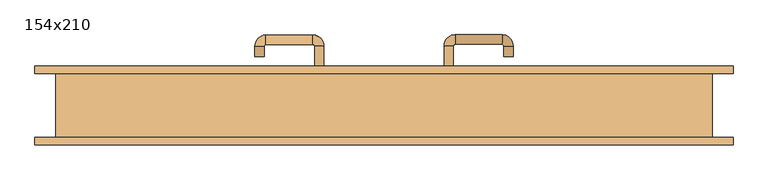
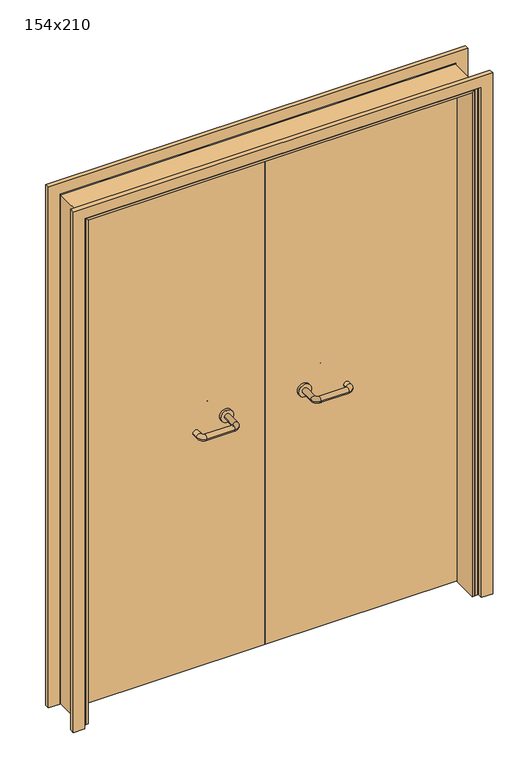
"""IFC4 building model written with IfcOpenShell, lengths in millimetres: door geometry, 154x210."""

from ifc_helpers import new_model, si_unit, point, frame, frame_2d, origin, place, context, project, spatial, polyline, circle_curve, ellipse_curve, trimmed, segment, composite_curve, outline, extrude, faceted_brep, source, transform, mapped, element, save
from ifc_brep_helpers import plane_surface, cylinder_surface, revolved_surface, advanced_brep


def door_154x210_acc54a42(model_context):
    return source(origin(), model_context, "Body", "SolidModel", [
        faceted_brep([(-750.0, 28.0, 0.0), (-750.0, -74.0, 0.0), (-760.0, -74.0, 0.0), (-760.0, 28.0, 0.0), (-750.0, 28.0, 2080.0), (-750.0, -74.0, 2080.0), (-760.0, -74.0, 2090.0), (-760.0, 28.0, 2090.0), (750.0, 28.0, 0.0), (760.0, 28.0, 0.0), (760.0, -74.0, 0.0), (750.0, -74.0, 0.0), (750.0, 28.0, 2080.0), (760.0, 28.0, 2090.0), (760.0, -74.0, 2090.0), (750.0, -74.0, 2080.0)], [[[0, 1, 2, 3]], [[1, 0, 4, 5]], [[2, 1, 5, 6]], [[3, 2, 6, 7]], [[0, 3, 7, 4]], [[8, 9, 10, 11]], [[12, 13, 9, 8]], [[13, 14, 10, 9]], [[14, 15, 11, 10]], [[15, 12, 8, 11]], [[5, 4, 12, 15]], [[6, 5, 15, 14]], [[7, 6, 14, 13]], [[4, 7, 13, 12]]]),
        extrude(outline(polyline([(2149.0, 819.0), (2149.0, -819.0), (0.0, -819.0), (0.0, -775.0), (2105.0, -775.0), (2105.0, 775.0), (0.0, 775.0), (0.0, 819.0), (2149.0, 819.0)])), frame((0.0, 75.0, 0.0), z_axis=(0.0, 1.0, 0.0), x_axis=(0.0, 0.0, 1.0)), (0.0, 0.0, 1.0), 18.0),
        extrude(outline(polyline([(2149.0, -819.0), (0.0, -819.0), (0.0, -775.0), (2105.0, -775.0), (2105.0, 775.0), (0.0, 775.0), (0.0, 819.0), (2149.0, 819.0), (2149.0, -819.0)])), frame((0.0, -93.0, 0.0), z_axis=(0.0, 1.0, 0.0), x_axis=(0.0, 0.0, 1.0)), (0.0, 0.0, 1.0), 18.0),
        extrude(outline(polyline([(2100.0, -770.0), (0.0, -770.0), (0.0, -760.0), (2090.0, -760.0), (2090.0, 760.0), (0.0, 760.0), (0.0, 770.0), (2100.0, 770.0), (2100.0, -770.0)])), frame((0.0, -74.0, 0.0), z_axis=(0.0, 1.0, 0.0), x_axis=(0.0, 0.0, 1.0)), (0.0, 0.0, 1.0), 149.0),
        advanced_brep(
        [(140.99898, 21.0, 1003.0), (162.99898, 21.0, 1003.0), (140.99898, -34.3525369, 1003.0), (162.99898, -34.3525369, 1003.0), (166.99898, -38.3525369, 1003.0), (166.99898, -60.3525369, 1003.0), (276.99898, -60.3525369, 1003.0), (276.99898, -38.3525369, 1003.0), (280.99898, -34.3525369, 1003.0), (302.99898, -34.3525369, 1003.0), (302.99898, -17.0, 1003.0), (280.99898, -17.0, 1003.0)],
        [
            (0, 1, circle_curve(frame((151.99898, 21.0, 1003.0), z_axis=(0.0, 1.0, 0.0), x_axis=(1.0, 0.0, 0.0)), 11.0)),
            (1, 0, circle_curve(frame((151.99898, 21.0, 1003.0), z_axis=(0.0, 1.0, 0.0), x_axis=(1.0, 0.0, 0.0)), 11.0)),
            (0, 2),
            (2, 3, circle_curve(frame((151.99898, -34.3525369, 1003.0), z_axis=(0.0, 1.0, 0.0), x_axis=(1.0, 0.0, 0.0)), 11.0)),
            (3, 1),
            (3, 2, circle_curve(frame((151.99898, -34.3525369, 1003.0), z_axis=(0.0, 1.0, 0.0), x_axis=(1.0, 0.0, 0.0)), 11.0)),
            (4, 3, circle_curve(frame((166.99898, -34.3525369, 1003.0), z_axis=(0.0, 0.0, -1.0), x_axis=(-1.0, 0.0, 0.0)), 4.0)),
            (2, 5, circle_curve(frame((166.99898, -34.3525369, 1003.0), z_axis=(0.0, 0.0, 1.0), x_axis=(-1.0, 0.0, 0.0)), 26.0)),
            (5, 4, circle_curve(frame((166.99898, -49.3525369, 1003.0), z_axis=(-1.0, 0.0, 0.0), x_axis=(0.0, 1.0, 0.0)), 11.0)),
            (4, 5, circle_curve(frame((166.99898, -49.3525369, 1003.0), z_axis=(-1.0, 0.0, 0.0), x_axis=(0.0, 1.0, 0.0)), 11.0)),
            (5, 6),
            (6, 7, circle_curve(frame((276.99898, -49.3525369, 1003.0), z_axis=(-1.0, 0.0, 0.0), x_axis=(0.0, 1.0, 0.0)), 11.0)),
            (7, 4),
            (7, 6, circle_curve(frame((276.99898, -49.3525369, 1003.0), z_axis=(-1.0, 0.0, 0.0), x_axis=(0.0, 1.0, 0.0)), 11.0)),
            (8, 7, circle_curve(frame((276.99898, -34.3525369, 1003.0), z_axis=(0.0, 0.0, -1.0), x_axis=(0.0, -1.0, 0.0)), 4.0)),
            (6, 9, circle_curve(frame((276.99898, -34.3525369, 1003.0), z_axis=(0.0, 0.0, 1.0), x_axis=(0.0, -1.0, 0.0)), 26.0)),
            (9, 8, circle_curve(frame((291.99898, -34.3525369, 1003.0), z_axis=(0.0, -1.0, 0.0), x_axis=(-1.0, 0.0, 0.0)), 11.0)),
            (8, 9, circle_curve(frame((291.99898, -34.3525369, 1003.0), z_axis=(0.0, -1.0, 0.0), x_axis=(-1.0, 0.0, 0.0)), 11.0)),
            (10, 11, circle_curve(frame((291.99898, -17.0, 1003.0), z_axis=(0.0, 1.0, 0.0), x_axis=(-1.0, 0.0, 0.0)), 11.0)),
            (11, 10, circle_curve(frame((291.99898, -17.0, 1003.0), z_axis=(0.0, 1.0, 0.0), x_axis=(-1.0, 0.0, 0.0)), 11.0)),
            (9, 10),
            (11, 8),
        ],
        [
            plane_surface(frame((140.99898, 21.0, 1003.0), z_axis=(0.0, 1.0, 0.0), x_axis=(0.0, 0.0, -1.0))),
            cylinder_surface(frame((151.99898, 21.0, 1003.0), z_axis=(0.0, 1.0, 0.0), x_axis=(1.0, 0.0, 0.0)), 11.0),
            revolved_surface(trimmed(ellipse_curve(frame((151.99898, -34.3525369, 1003.0), z_axis=(0.0, 1.0, 0.0), x_axis=(1.0, 0.0, 0.0)), 11.0, 11.0), [point((140.99898, -34.3525369, 1003.0))], [point((162.99898, -34.3525369, 1003.0))], True, "CARTESIAN"), (166.99898, -34.3525369, 1003.0), (0.0, 0.0, 1.0)),
            revolved_surface(trimmed(ellipse_curve(frame((151.99898, -34.3525369, 1003.0), z_axis=(0.0, 1.0, 0.0), x_axis=(1.0, 0.0, 0.0)), 11.0, 11.0), [point((162.99898, -34.3525369, 1003.0))], [point((140.99898, -34.3525369, 1003.0))], True, "CARTESIAN"), (166.99898, -34.3525369, 1003.0), (0.0, 0.0, 1.0)),
            cylinder_surface(frame((166.99898, -49.3525369, 1003.0), z_axis=(-1.0, 0.0, 0.0), x_axis=(0.0, 1.0, 0.0)), 11.0),
            revolved_surface(trimmed(ellipse_curve(frame((276.99898, -49.3525369, 1003.0), z_axis=(-1.0, 0.0, 0.0), x_axis=(0.0, 1.0, 0.0)), 11.0, 11.0), [point((276.99898, -60.3525369, 1003.0))], [point((276.99898, -38.3525369, 1003.0))], True, "CARTESIAN"), (276.99898, -34.3525369, 1003.0), (0.0, 0.0, 1.0)),
            revolved_surface(trimmed(ellipse_curve(frame((276.99898, -49.3525369, 1003.0), z_axis=(-1.0, 0.0, 0.0), x_axis=(0.0, 1.0, 0.0)), 11.0, 11.0), [point((276.99898, -38.3525369, 1003.0))], [point((276.99898, -60.3525369, 1003.0))], True, "CARTESIAN"), (276.99898, -34.3525369, 1003.0), (0.0, 0.0, 1.0)),
            plane_surface(frame((280.99898, -17.0, 1003.0), z_axis=(0.0, 1.0, 0.0), x_axis=(0.0, 0.0, 1.0))),
            cylinder_surface(frame((291.99898, -34.3525369, 1003.0), z_axis=(0.0, -1.0, 0.0), x_axis=(-1.0, 0.0, 0.0)), 11.0),
        ],
        [
            (0, [[1, 2]]),
            (1, [[-1, 3, 4, 5]]),
            (1, [[-2, -5, 6, -3]]),
            (2, [[7, -4, 8, 9]]),
            (3, [[-8, -6, -7, 10]]),
            (4, [[-9, 11, 12, 13]]),
            (4, [[-10, -13, 14, -11]]),
            (5, [[15, -12, 16, 17]]),
            (6, [[-16, -14, -15, 18]]),
            (7, [[19, 20]]),
            (8, [[-17, 21, -20, 22]]),
            (8, [[-18, -22, -19, -21]]),
        ],
    ),
        extrude(outline(composite_curve([segment(trimmed(circle_curve(frame_2d((1003.0, 151.99898)), 25.0), [point((1003.0, 126.99898))], [point((1003.0, 176.99898))], False, "CARTESIAN"), True, "CONTINUOUS"), segment(trimmed(circle_curve(frame_2d((1003.0, 151.99898)), 25.0), [point((1003.0, 176.99898))], [point((1003.0, 126.99898))], False, "CARTESIAN"), True, "CONTINUOUS")], self_intersect=False)), frame((0.0, 21.0, 0.0), z_axis=(0.0, 1.0, 0.0), x_axis=(0.0, 0.0, 1.0)), (0.0, 0.0, 1.0), 10.0),
        advanced_brep(
        [(162.99898, 85.0, 1003.0), (140.99898, 85.0, 1003.0), (162.99898, 140.0, 1003.0), (140.99898, 140.0, 1003.0), (166.99898, 166.0, 1003.0), (166.99898, 144.0, 1003.0), (276.99898, 144.0, 1003.0), (276.99898, 166.0, 1003.0), (302.99898, 140.0, 1003.0), (280.99898, 140.0, 1003.0), (280.99898, 115.0, 1003.0), (302.99898, 115.0, 1003.0)],
        [
            (0, 1, circle_curve(frame((151.99898, 85.0, 1003.0), z_axis=(0.0, -1.0, 0.0), x_axis=(-1.0, 0.0, 0.0)), 11.0)),
            (1, 0, circle_curve(frame((151.99898, 85.0, 1003.0), z_axis=(0.0, -1.0, 0.0), x_axis=(-1.0, 0.0, 0.0)), 11.0)),
            (0, 2),
            (2, 3, circle_curve(frame((151.99898, 140.0, 1003.0), z_axis=(0.0, -1.0, 0.0), x_axis=(-1.0, 0.0, 0.0)), 11.0)),
            (3, 1),
            (3, 2, circle_curve(frame((151.99898, 140.0, 1003.0), z_axis=(0.0, -1.0, 0.0), x_axis=(-1.0, 0.0, 0.0)), 11.0)),
            (4, 3, circle_curve(frame((166.99898, 140.0, 1003.0), z_axis=(0.0, 0.0, 1.0), x_axis=(-1.0, 0.0, 0.0)), 26.0)),
            (2, 5, circle_curve(frame((166.99898, 140.0, 1003.0), z_axis=(0.0, 0.0, -1.0), x_axis=(-1.0, 0.0, 0.0)), 4.0)),
            (5, 4, circle_curve(frame((166.99898, 155.0, 1003.0), z_axis=(-1.0, 0.0, 0.0), x_axis=(0.0, 1.0, 0.0)), 11.0)),
            (4, 5, circle_curve(frame((166.99898, 155.0, 1003.0), z_axis=(-1.0, 0.0, 0.0), x_axis=(0.0, 1.0, 0.0)), 11.0)),
            (5, 6),
            (6, 7, circle_curve(frame((276.99898, 155.0, 1003.0), z_axis=(-1.0, 0.0, 0.0), x_axis=(0.0, 1.0, 0.0)), 11.0)),
            (7, 4),
            (7, 6, circle_curve(frame((276.99898, 155.0, 1003.0), z_axis=(-1.0, 0.0, 0.0), x_axis=(0.0, 1.0, 0.0)), 11.0)),
            (8, 7, circle_curve(frame((276.99898, 140.0, 1003.0), z_axis=(0.0, 0.0, 1.0), x_axis=(0.0, 1.0, 0.0)), 26.0)),
            (6, 9, circle_curve(frame((276.99898, 140.0, 1003.0), z_axis=(0.0, 0.0, -1.0), x_axis=(0.0, 1.0, 0.0)), 4.0)),
            (9, 8, circle_curve(frame((291.99898, 140.0, 1003.0), z_axis=(0.0, 1.0, 0.0), x_axis=(1.0, 0.0, 0.0)), 11.0)),
            (8, 9, circle_curve(frame((291.99898, 140.0, 1003.0), z_axis=(0.0, 1.0, 0.0), x_axis=(1.0, 0.0, 0.0)), 11.0)),
            (10, 11, circle_curve(frame((291.99898, 115.0, 1003.0), z_axis=(0.0, -1.0, 0.0), x_axis=(1.0, 0.0, 0.0)), 11.0)),
            (11, 10, circle_curve(frame((291.99898, 115.0, 1003.0), z_axis=(0.0, -1.0, 0.0), x_axis=(1.0, 0.0, 0.0)), 11.0)),
            (9, 10),
            (11, 8),
        ],
        [
            plane_surface(frame((140.99898, 85.0, 1003.0), z_axis=(0.0, -1.0, 0.0), x_axis=(0.0, 0.0, 1.0))),
            cylinder_surface(frame((151.99898, 85.0, 1003.0), z_axis=(0.0, -1.0, 0.0), x_axis=(-1.0, 0.0, 0.0)), 11.0),
            revolved_surface(trimmed(ellipse_curve(frame((151.99898, 140.0, 1003.0), z_axis=(0.0, -1.0, 0.0), x_axis=(-1.0, 0.0, 0.0)), 11.0, 11.0), [point((162.99898, 140.0, 1003.0))], [point((140.99898, 140.0, 1003.0))], True, "CARTESIAN"), (166.99898, 140.0, 1003.0), (0.0, 0.0, -1.0)),
            revolved_surface(trimmed(ellipse_curve(frame((151.99898, 140.0, 1003.0), z_axis=(0.0, -1.0, 0.0), x_axis=(-1.0, 0.0, 0.0)), 11.0, 11.0), [point((140.99898, 140.0, 1003.0))], [point((162.99898, 140.0, 1003.0))], True, "CARTESIAN"), (166.99898, 140.0, 1003.0), (0.0, 0.0, -1.0)),
            cylinder_surface(frame((166.99898, 155.0, 1003.0), z_axis=(-1.0, 0.0, 0.0), x_axis=(0.0, 1.0, 0.0)), 11.0),
            revolved_surface(trimmed(ellipse_curve(frame((276.99898, 155.0, 1003.0), z_axis=(-1.0, 0.0, 0.0), x_axis=(0.0, 1.0, 0.0)), 11.0, 11.0), [point((276.99898, 144.0, 1003.0))], [point((276.99898, 166.0, 1003.0))], True, "CARTESIAN"), (276.99898, 140.0, 1003.0), (0.0, 0.0, -1.0)),
            revolved_surface(trimmed(ellipse_curve(frame((276.99898, 155.0, 1003.0), z_axis=(-1.0, 0.0, 0.0), x_axis=(0.0, 1.0, 0.0)), 11.0, 11.0), [point((276.99898, 166.0, 1003.0))], [point((276.99898, 144.0, 1003.0))], True, "CARTESIAN"), (276.99898, 140.0, 1003.0), (0.0, 0.0, -1.0)),
            plane_surface(frame((280.99898, 115.0, 1003.0), z_axis=(0.0, -1.0, 0.0), x_axis=(0.0, 0.0, -1.0))),
            cylinder_surface(frame((291.99898, 140.0, 1003.0), z_axis=(0.0, 1.0, 0.0), x_axis=(1.0, 0.0, 0.0)), 11.0),
        ],
        [
            (0, [[1, 2]]),
            (1, [[-1, 3, 4, 5]]),
            (1, [[-2, -5, 6, -3]]),
            (2, [[7, -4, 8, 9]]),
            (3, [[-8, -6, -7, 10]]),
            (4, [[-9, 11, 12, 13]]),
            (4, [[-10, -13, 14, -11]]),
            (5, [[15, -12, 16, 17]]),
            (6, [[-16, -14, -15, 18]]),
            (7, [[19, 20]]),
            (8, [[-17, 21, -20, 22]]),
            (8, [[-18, -22, -19, -21]]),
        ],
    ),
        extrude(outline(composite_curve([segment(trimmed(circle_curve(frame_2d((1003.0, 151.99898)), 25.0), [point((1003.0, 176.99898))], [point((1003.0, 126.99898))], False, "CARTESIAN"), True, "CONTINUOUS"), segment(trimmed(circle_curve(frame_2d((1003.0, 151.99898)), 25.0), [point((1003.0, 126.99898))], [point((1003.0, 176.99898))], False, "CARTESIAN"), True, "CONTINUOUS")], self_intersect=False)), frame((0.0, 75.0, 0.0), z_axis=(0.0, 1.0, 0.0), x_axis=(0.0, 0.0, 1.0)), (0.0, 0.0, 1.0), 10.0),
        advanced_brep(
        [(-162.99898, 20.6886121, 1003.0), (-140.99898, 20.6886121, 1003.0), (-162.99898, -34.7220447, 1003.0), (-140.99898, -34.7220447, 1003.0), (-166.99898, -60.7220447, 1003.0), (-166.99898, -38.7220447, 1003.0), (-276.99898, -38.7220447, 1003.0), (-276.99898, -60.7220447, 1003.0), (-302.99898, -34.7220447, 1003.0), (-280.99898, -34.7220447, 1003.0), (-280.99898, -9.7220447, 1003.0), (-302.99898, -9.7220447, 1003.0)],
        [
            (0, 1, circle_curve(frame((-151.99898, 20.6886121, 1003.0), z_axis=(0.0, 1.0, 0.0), x_axis=(1.0, 0.0, 0.0)), 11.0)),
            (1, 0, circle_curve(frame((-151.99898, 20.6886121, 1003.0), z_axis=(0.0, 1.0, 0.0), x_axis=(1.0, 0.0, 0.0)), 11.0)),
            (0, 2),
            (2, 3, circle_curve(frame((-151.99898, -34.7220447, 1003.0), z_axis=(0.0, 1.0, 0.0), x_axis=(1.0, 0.0, 0.0)), 11.0)),
            (3, 1),
            (3, 2, circle_curve(frame((-151.99898, -34.7220447, 1003.0), z_axis=(0.0, 1.0, 0.0), x_axis=(1.0, 0.0, 0.0)), 11.0)),
            (4, 3, circle_curve(frame((-166.99898, -34.7220447, 1003.0), z_axis=(0.0, 0.0, 1.0), x_axis=(1.0, 0.0, 0.0)), 26.0)),
            (2, 5, circle_curve(frame((-166.99898, -34.7220447, 1003.0), z_axis=(0.0, 0.0, -1.0), x_axis=(1.0, 0.0, 0.0)), 4.0)),
            (5, 4, circle_curve(frame((-166.99898, -49.7220447, 1003.0), z_axis=(1.0, 0.0, 0.0), x_axis=(0.0, -1.0, 0.0)), 11.0)),
            (4, 5, circle_curve(frame((-166.99898, -49.7220447, 1003.0), z_axis=(1.0, 0.0, 0.0), x_axis=(0.0, -1.0, 0.0)), 11.0)),
            (5, 6),
            (6, 7, circle_curve(frame((-276.99898, -49.7220447, 1003.0), z_axis=(1.0, 0.0, 0.0), x_axis=(0.0, -1.0, 0.0)), 11.0)),
            (7, 4),
            (7, 6, circle_curve(frame((-276.99898, -49.7220447, 1003.0), z_axis=(1.0, 0.0, 0.0), x_axis=(0.0, -1.0, 0.0)), 11.0)),
            (8, 7, circle_curve(frame((-276.99898, -34.7220447, 1003.0), z_axis=(0.0, 0.0, 1.0), x_axis=(0.0, -1.0, 0.0)), 26.0)),
            (6, 9, circle_curve(frame((-276.99898, -34.7220447, 1003.0), z_axis=(0.0, 0.0, -1.0), x_axis=(0.0, -1.0, 0.0)), 4.0)),
            (9, 8, circle_curve(frame((-291.99898, -34.7220447, 1003.0), z_axis=(0.0, -1.0, 0.0), x_axis=(-1.0, 0.0, 0.0)), 11.0)),
            (8, 9, circle_curve(frame((-291.99898, -34.7220447, 1003.0), z_axis=(0.0, -1.0, 0.0), x_axis=(-1.0, 0.0, 0.0)), 11.0)),
            (10, 11, circle_curve(frame((-291.99898, -9.7220447, 1003.0), z_axis=(0.0, 1.0, 0.0), x_axis=(-1.0, 0.0, 0.0)), 11.0)),
            (11, 10, circle_curve(frame((-291.99898, -9.7220447, 1003.0), z_axis=(0.0, 1.0, 0.0), x_axis=(-1.0, 0.0, 0.0)), 11.0)),
            (9, 10),
            (11, 8),
        ],
        [
            plane_surface(frame((-162.99898, 20.6886121, 1003.0), z_axis=(0.0, 1.0, 0.0), x_axis=(0.0, 0.0, -1.0))),
            cylinder_surface(frame((-151.99898, 20.6886121, 1003.0), z_axis=(0.0, 1.0, 0.0), x_axis=(1.0, 0.0, 0.0)), 11.0),
            revolved_surface(trimmed(ellipse_curve(frame((-151.99898, -34.7220447, 1003.0), z_axis=(0.0, 1.0, 0.0), x_axis=(1.0, 0.0, 0.0)), 11.0, 11.0), [point((-162.99898, -34.7220447, 1003.0))], [point((-140.99898, -34.7220447, 1003.0))], True, "CARTESIAN"), (-166.99898, -34.7220447, 1003.0), (0.0, 0.0, -1.0)),
            revolved_surface(trimmed(ellipse_curve(frame((-151.99898, -34.7220447, 1003.0), z_axis=(0.0, 1.0, 0.0), x_axis=(1.0, 0.0, 0.0)), 11.0, 11.0), [point((-140.99898, -34.7220447, 1003.0))], [point((-162.99898, -34.7220447, 1003.0))], True, "CARTESIAN"), (-166.99898, -34.7220447, 1003.0), (0.0, 0.0, -1.0)),
            cylinder_surface(frame((-166.99898, -49.7220447, 1003.0), z_axis=(1.0, 0.0, 0.0), x_axis=(0.0, -1.0, 0.0)), 11.0),
            revolved_surface(trimmed(ellipse_curve(frame((-276.99898, -49.7220447, 1003.0), z_axis=(1.0, 0.0, 0.0), x_axis=(0.0, -1.0, 0.0)), 11.0, 11.0), [point((-276.99898, -38.7220447, 1003.0))], [point((-276.99898, -60.7220447, 1003.0))], True, "CARTESIAN"), (-276.99898, -34.7220447, 1003.0), (0.0, 0.0, -1.0)),
            revolved_surface(trimmed(ellipse_curve(frame((-276.99898, -49.7220447, 1003.0), z_axis=(1.0, 0.0, 0.0), x_axis=(0.0, -1.0, 0.0)), 11.0, 11.0), [point((-276.99898, -60.7220447, 1003.0))], [point((-276.99898, -38.7220447, 1003.0))], True, "CARTESIAN"), (-276.99898, -34.7220447, 1003.0), (0.0, 0.0, -1.0)),
            plane_surface(frame((-302.99898, -9.7220447, 1003.0), z_axis=(0.0, 1.0, 0.0), x_axis=(0.0, 0.0, 1.0))),
            cylinder_surface(frame((-291.99898, -34.7220447, 1003.0), z_axis=(0.0, -1.0, 0.0), x_axis=(-1.0, 0.0, 0.0)), 11.0),
        ],
        [
            (0, [[1, 2]]),
            (1, [[-1, 3, 4, 5]]),
            (1, [[-2, -5, 6, -3]]),
            (2, [[7, -4, 8, 9]]),
            (3, [[-8, -6, -7, 10]]),
            (4, [[-9, 11, 12, 13]]),
            (4, [[-10, -13, 14, -11]]),
            (5, [[15, -12, 16, 17]]),
            (6, [[-16, -14, -15, 18]]),
            (7, [[19, 20]]),
            (8, [[-17, 21, -20, 22]]),
            (8, [[-18, -22, -19, -21]]),
        ],
    ),
        extrude(outline(composite_curve([segment(trimmed(circle_curve(frame_2d((1003.0, -151.99898)), 25.0), [point((1003.0, -176.99898))], [point((1003.0, -126.99898))], False, "CARTESIAN"), True, "CONTINUOUS"), segment(trimmed(circle_curve(frame_2d((1003.0, -151.99898)), 25.0), [point((1003.0, -126.99898))], [point((1003.0, -176.99898))], False, "CARTESIAN"), True, "CONTINUOUS")], self_intersect=False)), frame((0.0, 20.6886121, 0.0), z_axis=(0.0, 1.0, 0.0), x_axis=(0.0, 0.0, 1.0)), (0.0, 0.0, 1.0), 10.3113879),
        advanced_brep(
        [(-140.99898, 84.5143417, 1003.0), (-162.99898, 84.5143417, 1003.0), (-140.99898, 139.6104656, 1003.0), (-162.99898, 139.6104656, 1003.0), (-166.99898, 143.6104656, 1003.0), (-166.99898, 165.6104656, 1003.0), (-276.99898, 165.6104656, 1003.0), (-276.99898, 143.6104656, 1003.0), (-280.99898, 139.6104656, 1003.0), (-302.99898, 139.6104656, 1003.0), (-302.99898, 114.6104656, 1003.0), (-280.99898, 114.6104656, 1003.0)],
        [
            (0, 1, circle_curve(frame((-151.99898, 84.5143417, 1003.0), z_axis=(0.0, -1.0, 0.0), x_axis=(-1.0, 0.0, 0.0)), 11.0)),
            (1, 0, circle_curve(frame((-151.99898, 84.5143417, 1003.0), z_axis=(0.0, -1.0, 0.0), x_axis=(-1.0, 0.0, 0.0)), 11.0)),
            (0, 2),
            (2, 3, circle_curve(frame((-151.99898, 139.6104656, 1003.0), z_axis=(0.0, -1.0, 0.0), x_axis=(-1.0, 0.0, 0.0)), 11.0)),
            (3, 1),
            (3, 2, circle_curve(frame((-151.99898, 139.6104656, 1003.0), z_axis=(0.0, -1.0, 0.0), x_axis=(-1.0, 0.0, 0.0)), 11.0)),
            (4, 3, circle_curve(frame((-166.99898, 139.6104656, 1003.0), z_axis=(0.0, 0.0, -1.0), x_axis=(1.0, 0.0, 0.0)), 4.0)),
            (2, 5, circle_curve(frame((-166.99898, 139.6104656, 1003.0), z_axis=(0.0, 0.0, 1.0), x_axis=(1.0, 0.0, 0.0)), 26.0)),
            (5, 4, circle_curve(frame((-166.99898, 154.6104656, 1003.0), z_axis=(1.0, 0.0, 0.0), x_axis=(0.0, -1.0, 0.0)), 11.0)),
            (4, 5, circle_curve(frame((-166.99898, 154.6104656, 1003.0), z_axis=(1.0, 0.0, 0.0), x_axis=(0.0, -1.0, 0.0)), 11.0)),
            (5, 6),
            (6, 7, circle_curve(frame((-276.99898, 154.6104656, 1003.0), z_axis=(1.0, 0.0, 0.0), x_axis=(0.0, -1.0, 0.0)), 11.0)),
            (7, 4),
            (7, 6, circle_curve(frame((-276.99898, 154.6104656, 1003.0), z_axis=(1.0, 0.0, 0.0), x_axis=(0.0, -1.0, 0.0)), 11.0)),
            (8, 7, circle_curve(frame((-276.99898, 139.6104656, 1003.0), z_axis=(0.0, 0.0, -1.0), x_axis=(0.0, 1.0, 0.0)), 4.0)),
            (6, 9, circle_curve(frame((-276.99898, 139.6104656, 1003.0), z_axis=(0.0, 0.0, 1.0), x_axis=(0.0, 1.0, 0.0)), 26.0)),
            (9, 8, circle_curve(frame((-291.99898, 139.6104656, 1003.0), z_axis=(0.0, 1.0, 0.0), x_axis=(1.0, 0.0, 0.0)), 11.0)),
            (8, 9, circle_curve(frame((-291.99898, 139.6104656, 1003.0), z_axis=(0.0, 1.0, 0.0), x_axis=(1.0, 0.0, 0.0)), 11.0)),
            (10, 11, circle_curve(frame((-291.99898, 114.6104656, 1003.0), z_axis=(0.0, -1.0, 0.0), x_axis=(1.0, 0.0, 0.0)), 11.0)),
            (11, 10, circle_curve(frame((-291.99898, 114.6104656, 1003.0), z_axis=(0.0, -1.0, 0.0), x_axis=(1.0, 0.0, 0.0)), 11.0)),
            (9, 10),
            (11, 8),
        ],
        [
            plane_surface(frame((-162.99898, 84.5143417, 1003.0), z_axis=(0.0, -1.0, 0.0), x_axis=(0.0, 0.0, 1.0))),
            cylinder_surface(frame((-151.99898, 84.5143417, 1003.0), z_axis=(0.0, -1.0, 0.0), x_axis=(-1.0, 0.0, 0.0)), 11.0),
            revolved_surface(trimmed(ellipse_curve(frame((-151.99898, 139.6104656, 1003.0), z_axis=(0.0, -1.0, 0.0), x_axis=(-1.0, 0.0, 0.0)), 11.0, 11.0), [point((-140.99898, 139.6104656, 1003.0))], [point((-162.99898, 139.6104656, 1003.0))], True, "CARTESIAN"), (-166.99898, 139.6104656, 1003.0), (0.0, 0.0, 1.0)),
            revolved_surface(trimmed(ellipse_curve(frame((-151.99898, 139.6104656, 1003.0), z_axis=(0.0, -1.0, 0.0), x_axis=(-1.0, 0.0, 0.0)), 11.0, 11.0), [point((-162.99898, 139.6104656, 1003.0))], [point((-140.99898, 139.6104656, 1003.0))], True, "CARTESIAN"), (-166.99898, 139.6104656, 1003.0), (0.0, 0.0, 1.0)),
            cylinder_surface(frame((-166.99898, 154.6104656, 1003.0), z_axis=(1.0, 0.0, 0.0), x_axis=(0.0, -1.0, 0.0)), 11.0),
            revolved_surface(trimmed(ellipse_curve(frame((-276.99898, 154.6104656, 1003.0), z_axis=(1.0, 0.0, 0.0), x_axis=(0.0, -1.0, 0.0)), 11.0, 11.0), [point((-276.99898, 165.6104656, 1003.0))], [point((-276.99898, 143.6104656, 1003.0))], True, "CARTESIAN"), (-276.99898, 139.6104656, 1003.0), (0.0, 0.0, 1.0)),
            revolved_surface(trimmed(ellipse_curve(frame((-276.99898, 154.6104656, 1003.0), z_axis=(1.0, 0.0, 0.0), x_axis=(0.0, -1.0, 0.0)), 11.0, 11.0), [point((-276.99898, 143.6104656, 1003.0))], [point((-276.99898, 165.6104656, 1003.0))], True, "CARTESIAN"), (-276.99898, 139.6104656, 1003.0), (0.0, 0.0, 1.0)),
            plane_surface(frame((-302.99898, 114.6104656, 1003.0), z_axis=(0.0, -1.0, 0.0), x_axis=(0.0, 0.0, -1.0))),
            cylinder_surface(frame((-291.99898, 139.6104656, 1003.0), z_axis=(0.0, 1.0, 0.0), x_axis=(1.0, 0.0, 0.0)), 11.0),
        ],
        [
            (0, [[1, 2]]),
            (1, [[-1, 3, 4, 5]]),
            (1, [[-2, -5, 6, -3]]),
            (2, [[7, -4, 8, 9]]),
            (3, [[-8, -6, -7, 10]]),
            (4, [[-9, 11, 12, 13]]),
            (4, [[-10, -13, 14, -11]]),
            (5, [[15, -12, 16, 17]]),
            (6, [[-16, -14, -15, 18]]),
            (7, [[19, 20]]),
            (8, [[-17, 21, -20, 22]]),
            (8, [[-18, -22, -19, -21]]),
        ],
    ),
        extrude(outline(composite_curve([segment(trimmed(circle_curve(frame_2d((1003.0, -151.99898)), 25.0), [point((1003.0, -126.99898))], [point((1003.0, -176.99898))], False, "CARTESIAN"), True, "CONTINUOUS"), segment(trimmed(circle_curve(frame_2d((1003.0, -151.99898)), 25.0), [point((1003.0, -176.99898))], [point((1003.0, -126.99898))], False, "CARTESIAN"), True, "CONTINUOUS")], self_intersect=False)), frame((0.0, 75.0, 0.0), z_axis=(0.0, 1.0, 0.0), x_axis=(0.0, 0.0, 1.0)), (0.0, 0.0, 1.0), 9.5143417),
        extrude(outline(polyline([(1.0739506, 31.0), (-757.0, 31.0), (-757.0, 75.0), (1.0739506, 75.0), (1.0739506, 31.0)])), frame((0.0, 0.0, 1.753223), z_axis=(0.0, 0.0, 1.0), x_axis=(1.0, 0.0, 0.0)), (0.0, 0.0, 1.0), 2088.246777),
        extrude(outline(polyline([(757.0, 31.0), (1.0739506, 31.0), (1.0739506, 75.0), (757.0, 75.0), (757.0, 31.0)])), frame((0.0, 0.0, 1.753223), z_axis=(0.0, 0.0, 1.0), x_axis=(1.0, 0.0, 0.0)), (0.0, 0.0, 1.0), 2088.246777),
    ])


if __name__ == "__main__":
    model = new_model("IFC4")
    model_context = context("Model", 3, world=origin())
    ifc_project = project(units=[si_unit("LENGTHUNIT", "METRE", prefix="MILLI")], contexts=[model_context])
    site = spatial("IfcSite", under=ifc_project)
    building = spatial("IfcBuilding", under=site)
    placement = place(None, origin())
    door_154x210_shape = door_154x210_acc54a42(model_context)
    element("IfcDoor", 1, ObjectType="154x210", at=placement, inside=building, context=model_context, shape_type="MappedRepresentation", body=[
        mapped(door_154x210_shape, transform((0.0, 0.0, 0.0), x_axis=(1.0, 0.0, 0.0), y_axis=(0.0, 1.0, 0.0), z_axis=(0.0, 0.0, 1.0))),
    ])
    save(model, "model.ifc")
